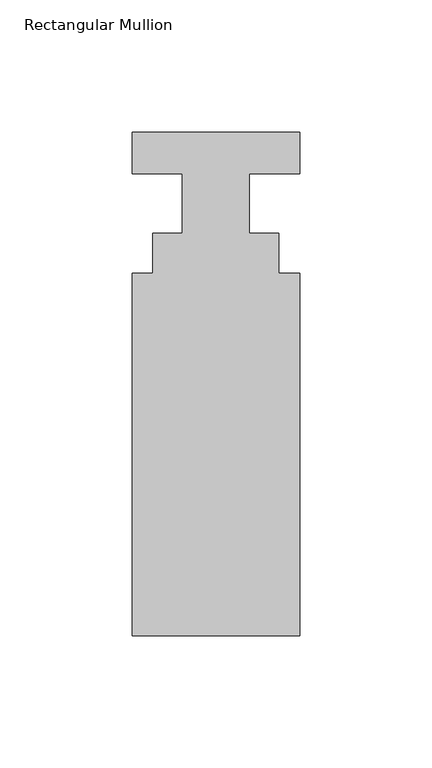
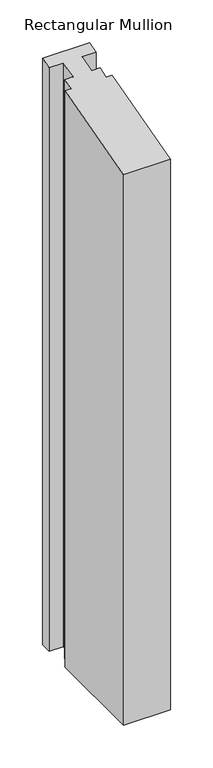
"""IFC4 building model written with IfcOpenShell, lengths in millimetres: member geometry, Rectangular Mullion."""

from ifc_helpers import new_model, si_unit, origin, place, context, project, spatial, faceted_brep, source, transform, mapped, element, save


def rectangular_mullion_f65ef8ae(model_context):
    return source(origin(), model_context, "Body", "Brep", [
        faceted_brep([(31.75, 20.7922812, -834.1114019), (31.75, 4.9172812, -834.1114019), (12.7, 4.9172812, -834.1114019), (12.7, -17.5617188, -834.1114019), (23.8252, -17.5617188, -834.1114019), (23.8252, -32.6239187, -834.1114019), (31.75, -32.6239187, -834.1114019), (31.75, -169.9617188, -834.1114019), (-31.75, -169.9617188, -834.1114019), (-31.75, -32.6239187, -834.1114019), (-23.8252, -32.6239187, -834.1114019), (-23.8252, -17.5617187, -834.1114019), (-12.7, -17.5617188, -834.1114019), (-12.7, 4.9172812, -834.1114019), (-31.75, 4.9172812, -834.1114019), (-31.75, 20.7922812, -834.1114019), (-31.75, 20.7922812, 5.571275), (31.75, 20.7922812, 5.571275), (-31.75, 4.9172812, 1.3175815), (-12.7, 4.9172812, 1.3175815), (-12.7, -17.5617188, -4.7056484), (-23.8252, -17.5617187, -4.7056484), (-23.8252, -32.6239187, -8.7415527), (-31.75, -32.6239187, -8.7415527), (-31.75, -169.9617188, -45.5411053), (31.75, -169.9617188, -45.5411053), (31.75, -32.6239187, -8.7415527), (23.8252, -32.6239187, -8.7415527), (23.8252, -17.5617188, -4.7056484), (12.7, -17.5617187, -4.7056484), (12.7, 4.9172812, 1.3175815), (31.75, 4.9172812, 1.3175815)], [[[0, 1, 2, 3, 4, 5, 6, 7, 8, 9, 10, 11, 12, 13, 14, 15]], [[16, 17, 0, 15]], [[18, 16, 15, 14]], [[19, 18, 14, 13]], [[20, 19, 13, 12]], [[21, 20, 12, 11]], [[22, 21, 11, 10]], [[23, 22, 10, 9]], [[24, 23, 9, 8]], [[25, 24, 8, 7]], [[26, 25, 7, 6]], [[27, 26, 6, 5]], [[28, 27, 5, 4]], [[29, 28, 4, 3]], [[30, 29, 3, 2]], [[31, 30, 2, 1]], [[17, 31, 1, 0]], [[17, 16, 18, 19, 20, 21, 22, 23, 24, 25, 26, 27, 28, 29, 30, 31]]]),
    ])


if __name__ == "__main__":
    model = new_model("IFC4")
    model_context = context("Model", 3, world=origin())
    ifc_project = project(units=[si_unit("LENGTHUNIT", "METRE", prefix="MILLI")], contexts=[model_context])
    site = spatial("IfcSite", under=ifc_project)
    building = spatial("IfcBuilding", under=site)
    placement = place(None, origin())
    rectangular_mullion_shape = rectangular_mullion_f65ef8ae(model_context)
    element("IfcMember", 1, ObjectType="Rectangular Mullion", at=placement, inside=building, context=model_context, shape_type="MappedRepresentation", body=[
        mapped(rectangular_mullion_shape, transform((0.0, 0.0, 0.0), x_axis=(1.0, 0.0, 0.0), y_axis=(0.0, 1.0, 0.0), z_axis=(0.0, 0.0, 1.0))),
    ])
    save(model, "model.ifc")
